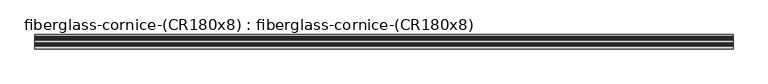
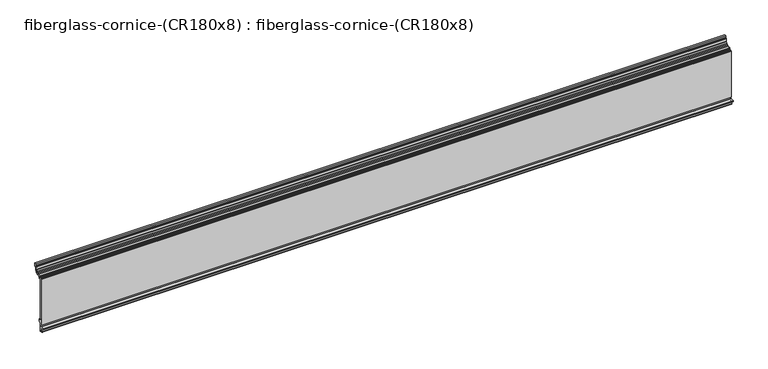
"""IFC4 building model written with IfcOpenShell, lengths in millimetres: furniture geometry, fiberglass-cornice-(CR180x8) : fiberglass-cornice-(CR180x8)."""

from ifc_helpers import new_model, si_unit, point, frame, frame_2d, origin, place, context, project, spatial, polyline, circle_curve, trimmed, segment, composite_curve, outline, extrude, source, transform, mapped, element, save


def fiberglass_cornice_cr180x8_fiberglass_cornice_cr180x8_f0b47fae(model_context):
    return source(origin(), model_context, "Body", "SweptSolid", [
        extrude(outline(composite_curve([segment(polyline([(184.0460006, 330.1999904), (184.111361, 314.1070439)]), True, "CONTINUOUS"), segment(trimmed(circle_curve(frame_2d((180.936361, 314.1070439)), 3.175), [point((184.111361, 314.1070439))], [point((180.936361, 310.9320439))], False, "CARTESIAN"), True, "CONTINUOUS"), segment(polyline([(180.936361, 310.9320439), (179.6641986, 310.9320439)]), True, "CONTINUOUS"), segment(trimmed(circle_curve(frame_2d((179.6641986, 307.7570439)), 3.175), [point((179.6641986, 310.9320439))], [point((176.4918464, 307.8866827))], True, "CARTESIAN"), True, "CONTINUOUS"), segment(polyline([(176.4918464, 307.8866827), (176.0253445, 296.4710627)]), True, "CONTINUOUS"), segment(trimmed(circle_curve(frame_2d((174.2268456, 296.5445587)), 1.8), [point((176.0253445, 296.4710627))], [point((175.7856957, 295.6445662))], False, "CARTESIAN"), True, "CONTINUOUS"), segment(polyline([(175.7856957, 295.6445662), (168.7707865, 283.4942521)]), True, "CONTINUOUS"), segment(trimmed(circle_curve(frame_2d((167.2119364, 284.3942446)), 1.8), [point((168.7707865, 283.4942521))], [point((168.17485, 282.8734562))], False, "CARTESIAN"), True, "CONTINUOUS"), segment(polyline([(168.17485, 282.8734562), (156.3212036, 275.3681146)]), True, "CONTINUOUS"), segment(trimmed(circle_curve(frame_2d((155.35829, 276.8889031)), 1.8), [point((156.3212036, 275.3681146))], [point((155.5051855, 275.0949071))], False, "CARTESIAN"), True, "CONTINUOUS"), segment(polyline([(155.5051855, 275.0949071), (143.991913, 274.1521808)]), True, "CONTINUOUS"), segment(trimmed(circle_curve(frame_2d((143.991913, 271.2366627)), 2.9155181), [point((143.991913, 274.1521808))], [point((141.0763949, 271.2366627))], True, "CARTESIAN"), True, "CONTINUOUS"), segment(polyline([(141.0763949, 271.2366627), (141.0690401, 266.3509303)]), True, "CONTINUOUS"), segment(trimmed(circle_curve(frame_2d((137.8940437, 266.346163)), 3.175), [point((141.0690401, 266.3509303))], [point((137.8940437, 263.171163))], False, "CARTESIAN"), True, "CONTINUOUS"), segment(polyline([(137.8940437, 263.171163), (133.804655, 263.171163)]), True, "CONTINUOUS"), segment(trimmed(circle_curve(frame_2d((133.804655, 261.583663)), 1.5875), [point((133.804655, 263.171163))], [point((132.217155, 261.583663))], True, "CARTESIAN"), True, "CONTINUOUS"), segment(polyline([(132.217155, 261.583663), (132.217155, 16.6929136)]), True, "CONTINUOUS"), segment(trimmed(circle_curve(frame_2d((135.392155, 16.6929136)), 3.175), [point((132.217155, 16.6929136))], [point((135.392155, 13.5179136))], True, "CARTESIAN"), True, "CONTINUOUS"), segment(polyline([(135.392155, 13.5179136), (138.3928449, 13.5179136)]), True, "CONTINUOUS"), segment(trimmed(circle_curve(frame_2d((138.3928449, 10.3429136)), 3.175), [point((138.3928449, 13.5179136))], [point((141.5678449, 10.3429136))], False, "CARTESIAN"), True, "CONTINUOUS"), segment(polyline([(141.5678449, 10.3429136), (141.5678449, 0.0731593)]), True, "CONTINUOUS"), segment(trimmed(circle_curve(frame_2d((138.3928449, 0.0731593)), 3.175), [point((141.5678449, 0.0731593))], [point((138.3928449, -3.1018407))], False, "CARTESIAN"), True, "CONTINUOUS"), segment(polyline([(138.3928449, -3.1018407), (135.392155, -3.1018407)]), True, "CONTINUOUS"), segment(trimmed(circle_curve(frame_2d((135.392155, -6.2768407)), 3.175), [point((135.392155, -3.1018407))], [point((132.217155, -6.2768407))], True, "CARTESIAN"), True, "CONTINUOUS"), segment(polyline([(132.217155, -6.2768407), (132.217155, -53.6088226)]), True, "CONTINUOUS"), segment(trimmed(circle_curve(frame_2d((129.042155, -53.6088226)), 3.175), [point((132.217155, -53.6088226))], [point((129.042155, -56.7838226))], False, "CARTESIAN"), True, "CONTINUOUS"), segment(polyline([(129.042155, -56.7838226), (117.475, -56.7838226)]), True, "CONTINUOUS"), segment(trimmed(circle_curve(frame_2d((117.475, -53.6088226)), 3.175), [point((117.475, -56.7838226))], [point((114.3, -53.6088226))], False, "CARTESIAN"), True, "CONTINUOUS"), segment(polyline([(114.3, -53.6088226), (114.3, -32.9713226)]), True, "CONTINUOUS"), segment(trimmed(circle_curve(frame_2d((112.7125, -32.9713226)), 1.5875), [point((114.3, -32.9713226))], [point((112.7125, -31.3838226))], True, "CARTESIAN"), True, "CONTINUOUS"), segment(polyline([(112.7125, -31.3838226), (101.6, -31.3838226), (101.6, -25.0338226), (119.0625, -25.0338226)]), True, "CONTINUOUS"), segment(trimmed(circle_curve(frame_2d((119.0625, -26.6213226)), 1.5875), [point((119.0625, -25.0338226))], [point((120.65, -26.6213226))], False, "CARTESIAN"), True, "CONTINUOUS"), segment(polyline([(120.65, -26.6213226), (120.65, -48.8463226)]), True, "CONTINUOUS"), segment(trimmed(circle_curve(frame_2d((122.2375, -48.8463226)), 1.5875), [point((120.65, -48.8463226))], [point((122.2375, -50.4338226))], True, "CARTESIAN"), True, "CONTINUOUS"), segment(polyline([(122.2375, -50.4338226), (124.279655, -50.4338226)]), True, "CONTINUOUS"), segment(trimmed(circle_curve(frame_2d((124.279655, -48.8463226)), 1.5875), [point((124.279655, -50.4338226))], [point((125.867155, -48.8463226))], True, "CARTESIAN"), True, "CONTINUOUS"), segment(polyline([(125.867155, -48.8463226), (125.867155, -17.0963226), (121.104655, -17.0963226), (121.104655, 267.933663), (125.867155, 267.933663)]), True, "CONTINUOUS"), segment(trimmed(circle_curve(frame_2d((127.454655, 267.933663)), 1.5875), [point((125.867155, 267.933663))], [point((127.454655, 269.521163))], False, "CARTESIAN"), True, "CONTINUOUS"), segment(polyline([(127.454655, 269.521163), (131.5535711, 269.521163)]), True, "CONTINUOUS"), segment(trimmed(circle_curve(frame_2d((131.5535711, 272.696163)), 3.175), [point((131.5535711, 269.521163))], [point((134.7285693, 272.6927921))], True, "CARTESIAN"), True, "CONTINUOUS"), segment(polyline([(134.7285693, 272.6927921), (134.739389, 277.0104378)]), True, "CONTINUOUS"), segment(trimmed(circle_curve(frame_2d((137.9097999, 276.8397928)), 3.175), [point((134.739389, 277.0104378))], [point((137.6506927, 280.0042025))], False, "CARTESIAN"), True, "CONTINUOUS"), segment(polyline([(137.6506927, 280.0042025), (151.9231106, 281.1728523)]), True, "CONTINUOUS"), segment(trimmed(circle_curve(frame_2d((151.2753426, 289.0838764)), 7.9375), [point((151.9231106, 281.1728523))], [point((155.5215238, 282.3776218))], True, "CARTESIAN"), True, "CONTINUOUS"), segment(polyline([(155.5215238, 282.3776218), (162.1806397, 286.5939564)]), True, "CONTINUOUS"), segment(trimmed(circle_curve(frame_2d((157.9344585, 293.300211)), 7.9375), [point((162.1806397, 286.5939564))], [point((164.8085542, 289.3314941))], True, "CARTESIAN"), True, "CONTINUOUS"), segment(polyline([(164.8085542, 289.3314941), (168.7493748, 296.1572713)]), True, "CONTINUOUS"), segment(trimmed(circle_curve(frame_2d((161.875279, 300.1259883)), 7.9375), [point((168.7493748, 296.1572713))], [point((169.8061596, 299.8018911))], True, "CARTESIAN"), True, "CONTINUOUS"), segment(polyline([(169.8061596, 299.8018911), (170.3960406, 314.2366827)]), True, "CONTINUOUS"), segment(trimmed(circle_curve(frame_2d((173.5683928, 314.1070439)), 3.175), [point((170.3960406, 314.2366827))], [point((173.5683928, 317.2820439))], False, "CARTESIAN"), True, "CONTINUOUS"), segment(polyline([(173.5683928, 317.2820439), (174.586361, 317.2820439)]), True, "CONTINUOUS"), segment(trimmed(circle_curve(frame_2d((174.586361, 320.4570439)), 3.175), [point((174.586361, 317.2820439))], [point((177.761361, 320.4570439))], True, "CARTESIAN"), True, "CONTINUOUS"), segment(polyline([(177.761361, 320.4570439), (177.761361, 330.1999904), (184.0460006, 330.1999904)]), True, "CONTINUOUS")], self_intersect=False)), frame((-2012.9498044, 0.0, 0.0), z_axis=(1.0, 0.0, 0.0), x_axis=(0.0, 1.0, 0.0)), (0.0, 0.0, 1.0), 4025.8996087),
    ])


if __name__ == "__main__":
    model = new_model("IFC4")
    model_context = context("Model", 3, world=origin())
    ifc_project = project(units=[si_unit("LENGTHUNIT", "METRE", prefix="MILLI")], contexts=[model_context])
    site = spatial("IfcSite", under=ifc_project)
    building = spatial("IfcBuilding", under=site)
    placement = place(None, origin())
    fiberglass_cornice_cr180x8_fiberglass_cornice_cr180x8_shape = fiberglass_cornice_cr180x8_fiberglass_cornice_cr180x8_f0b47fae(model_context)
    element("IfcFurniture", 1, ObjectType="fiberglass-cornice-(CR180x8) : fiberglass-cornice-(CR180x8)", at=placement, inside=building, context=model_context, shape_type="MappedRepresentation", body=[
        mapped(fiberglass_cornice_cr180x8_fiberglass_cornice_cr180x8_shape, transform((0.0, 0.0, 0.0), x_axis=(1.0, 0.0, 0.0), y_axis=(0.0, 1.0, 0.0), z_axis=(0.0, 0.0, 1.0))),
    ])
    save(model, "model.ifc")
